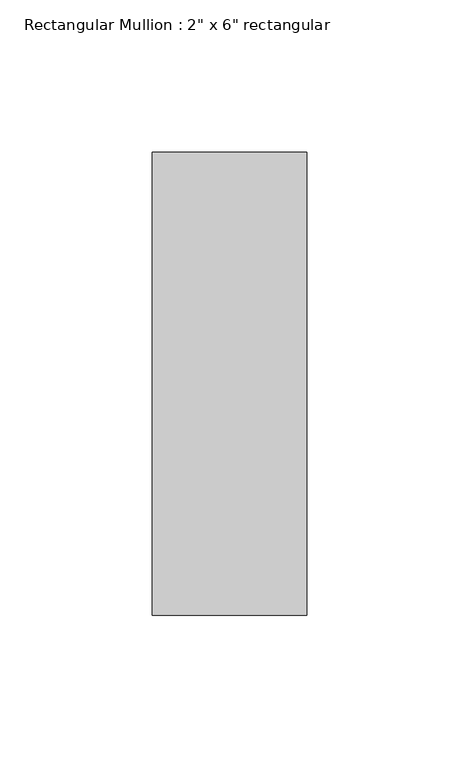
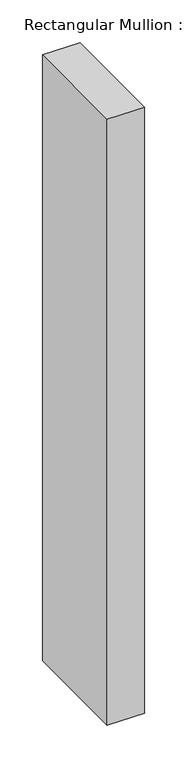
"""IFC4 building model written with IfcOpenShell, lengths in millimetres: member geometry."""

from ifc_helpers import new_model, si_unit, frame, origin, place, context, project, spatial, polyline, outline, extrude, source, transform, mapped, element, save


def member_d5df6a05(model_context):
    return source(origin(), model_context, "Body", "SweptSolid", [
        extrude(outline(polyline([(0.0, 76.2), (0.0, -76.2), (-50.8, -76.2), (-50.8, 76.2), (0.0, 76.2)])), frame((0.0, 0.0, -869.1169222), z_axis=(0.0, 0.0, 1.0), x_axis=(1.0, 0.0, 0.0)), (0.0, 0.0, 1.0), 869.1169222),
    ])


if __name__ == "__main__":
    model = new_model("IFC4")
    model_context = context("Model", 3, world=origin())
    ifc_project = project(units=[si_unit("LENGTHUNIT", "METRE", prefix="MILLI")], contexts=[model_context])
    site = spatial("IfcSite", under=ifc_project)
    building = spatial("IfcBuilding", under=site)
    placement = place(None, origin())
    member_shape = member_d5df6a05(model_context)
    element("IfcMember", 1, ObjectType="Rectangular Mullion : 2\" x 6\" rectangular", at=placement, inside=building, context=model_context, shape_type="MappedRepresentation", body=[
        mapped(member_shape, transform((0.0, 0.0, 0.0), x_axis=(1.0, 0.0, 0.0), y_axis=(0.0, 1.0, 0.0), z_axis=(0.0, 0.0, 1.0))),
    ])
    save(model, "model.ifc")
